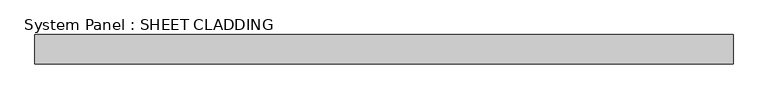
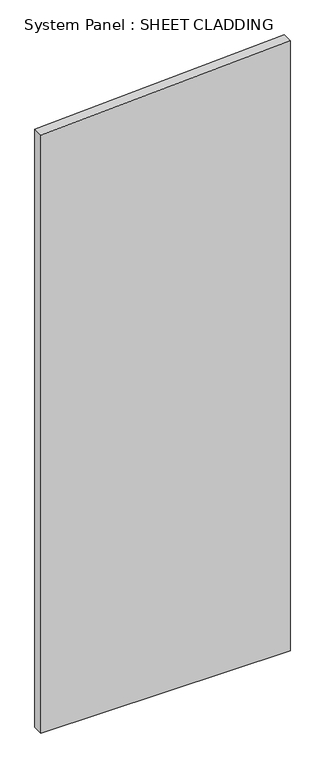
"""IFC4 building model written with IfcOpenShell, lengths in millimetres: plate geometry, System Panel : SHEET CLADDING."""

from ifc_helpers import new_model, si_unit, frame, origin, place, context, project, spatial, polyline, outline, extrude, source, transform, mapped, element, save


def system_panel_sheet_cladding_6fe306cf(model_context):
    return source(origin(), model_context, "Body", "SweptSolid", [
        extrude(outline(polyline([(0.0, -718.75), (0.0, 718.75), (3719.475, 718.75), (3647.6, -718.75), (0.0, -718.75)])), frame((0.0, -49.5, 0.0), z_axis=(0.0, 1.0, 0.0), x_axis=(0.0, 0.0, 1.0)), (0.0, 0.0, 1.0), 60.0),
    ])


if __name__ == "__main__":
    model = new_model("IFC4")
    model_context = context("Model", 3, world=origin())
    ifc_project = project(units=[si_unit("LENGTHUNIT", "METRE", prefix="MILLI")], contexts=[model_context])
    site = spatial("IfcSite", under=ifc_project)
    building = spatial("IfcBuilding", under=site)
    placement = place(None, origin())
    system_panel_sheet_cladding_shape = system_panel_sheet_cladding_6fe306cf(model_context)
    element("IfcPlate", 1, ObjectType="System Panel : SHEET CLADDING", at=placement, inside=building, context=model_context, shape_type="MappedRepresentation", body=[
        mapped(system_panel_sheet_cladding_shape, transform((0.0, 0.0, 0.0), x_axis=(1.0, 0.0, 0.0), y_axis=(0.0, 1.0, 0.0), z_axis=(0.0, 0.0, 1.0))),
    ])
    save(model, "model.ifc")
